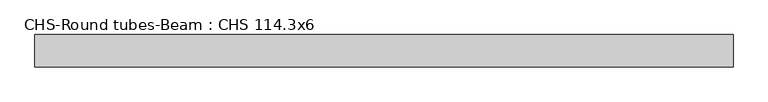
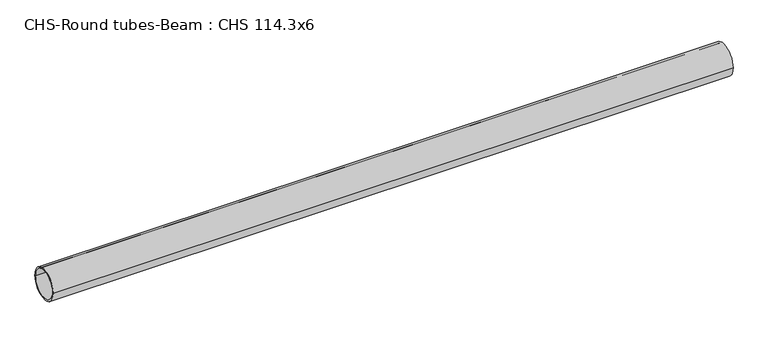
"""IFC4 building model written with IfcOpenShell, lengths in millimetres: beam geometry, CHS-Round tubes-Beam : CHS 114.3x6."""

from ifc_helpers import new_model, si_unit, point, frame, origin, origin_2d, place, context, project, spatial, circle_curve, trimmed, segment, composite_curve, outline, extrude, source, transform, mapped, element, save


def chs_round_tubes_beam_chs_114_3x6_7b98b0bb(model_context):
    return source(origin(), model_context, "Body", "SweptSolid", [
        extrude(outline(composite_curve([segment(trimmed(circle_curve(origin_2d(), 57.15), [point((57.15, 0.0))], [point((-57.15, 0.0))], False, "CARTESIAN"), True, "CONTINUOUS"), segment(trimmed(circle_curve(origin_2d(), 57.15), [point((-57.15, 0.0))], [point((57.15, 0.0))], False, "CARTESIAN"), True, "CONTINUOUS")], self_intersect=False), holes=[composite_curve([segment(trimmed(circle_curve(origin_2d(), 51.15), [point((51.15, 0.0))], [point((-51.15, 0.0))], True, "CARTESIAN"), True, "CONTINUOUS"), segment(trimmed(circle_curve(origin_2d(), 51.15), [point((-51.15, 0.0))], [point((51.15, 0.0))], True, "CARTESIAN"), True, "CONTINUOUS")], self_intersect=False)]), frame((-1175.007999, 0.0, 0.0), z_axis=(1.0, 0.0, 0.0), x_axis=(0.0, 1.0, 0.0)), (0.0, 0.0, 1.0), 2459.8358294),
    ])


if __name__ == "__main__":
    model = new_model("IFC4")
    model_context = context("Model", 3, world=origin())
    ifc_project = project(units=[si_unit("LENGTHUNIT", "METRE", prefix="MILLI")], contexts=[model_context])
    site = spatial("IfcSite", under=ifc_project)
    building = spatial("IfcBuilding", under=site)
    placement = place(None, origin())
    chs_round_tubes_beam_chs_114_3x6_shape = chs_round_tubes_beam_chs_114_3x6_7b98b0bb(model_context)
    element("IfcBeam", 1, ObjectType="CHS-Round tubes-Beam : CHS 114.3x6", at=placement, inside=building, context=model_context, shape_type="MappedRepresentation", body=[
        mapped(chs_round_tubes_beam_chs_114_3x6_shape, transform((0.0, 0.0, 0.0), x_axis=(1.0, 0.0, 0.0), y_axis=(0.0, 1.0, 0.0), z_axis=(0.0, 0.0, 1.0))),
    ])
    save(model, "model.ifc")
